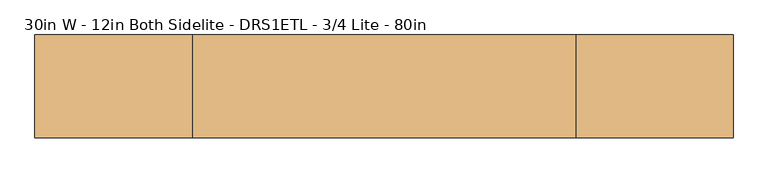
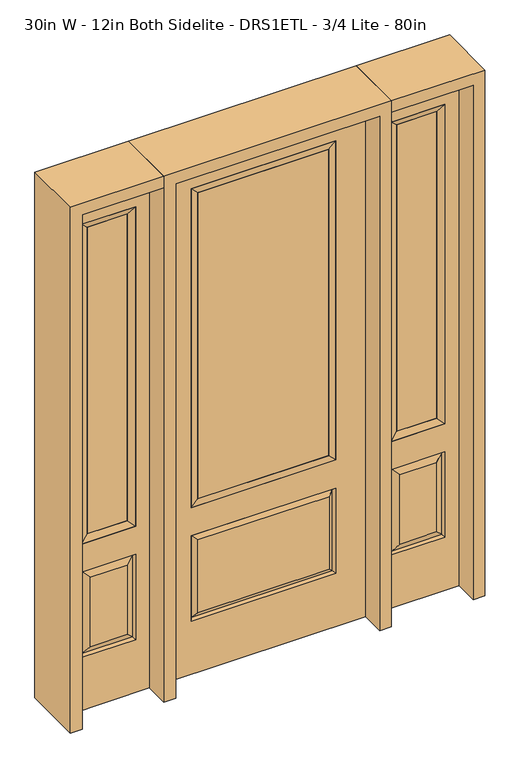
"""IFC4 building model written with IfcOpenShell, lengths in millimetres: door geometry, 30in W - 12in Both Sidelite - DRS1ETL - 3/4 Lite - 80in."""

import ifcopenshell
import ifcopenshell.guid

model = None  # the IFC model being written
_history = None  # IfcOwnerHistory: only IFC2X3 demands one
_inside = {}  # id of a spatial element -> (the spatial element, [elements in it])
_under = {}  # id of a project, library or spatial element -> (it, [spatial elements below it])
_declared = {}  # id of a project -> (the project, [libraries it declares])
_typed = {}  # id of a type object -> (the type object, [elements of that type])
_made_of = {}  # id of a material, layer set ... -> (it, [elements and type objects made of it])


def new_model(schema):
    """Start an empty IFC model of exactly this schema.

    Asked for "IFC4X3", IfcOpenShell would pick the latest addendum, in which some entities
    have other attributes; the version numbers below select the first issue.
    IFC2X3 requires an IfcOwnerHistory on every rooted entity: one is made here for all.
    """
    global model, _history
    if schema == "IFC4X3":
        model = ifcopenshell.file(schema_version=(4, 3, 0, 0))
    else:
        model = ifcopenshell.file(schema=schema)
    _inside.clear()
    _under.clear()
    _declared.clear()
    _typed.clear()
    _made_of.clear()
    _history = None
    if model.schema == "IFC2X3":
        org = make("IfcOrganization", Name="unknown")
        user = make(
            "IfcPersonAndOrganization",
            ThePerson=make("IfcPerson", FamilyName="unknown"),
            TheOrganization=org,
        )
        app = make(
            "IfcApplication",
            ApplicationDeveloper=org,
            Version="unknown",
            ApplicationFullName="unknown",
            ApplicationIdentifier="unknown",
        )
        _history = make(
            "IfcOwnerHistory",
            OwningUser=user,
            OwningApplication=app,
            ChangeAction="ADDED",
            CreationDate=0,
        )
    return model


def make(cls, **values):
    """One entity of the class cls with the attributes given. An attribute that is None is left unset."""
    return model.create_entity(
        cls, **{name: value for name, value in values.items() if value is not None}
    )


def rooted(cls, **values):
    """An entity with a GlobalId (a new one), such as an element, a storey or a relation."""
    return make(cls, GlobalId=ifcopenshell.guid.new(), OwnerHistory=_history, **values)


def si_unit(unit_type, name, prefix=None):
    """IfcSIUnit, for example si_unit("LENGTHUNIT", "METRE", prefix="MILLI")."""
    return make("IfcSIUnit", UnitType=unit_type, Prefix=prefix, Name=name)


def assignment(units):
    """IfcUnitAssignment: the units of a project."""
    return None if units is None else make("IfcUnitAssignment", Units=units)


def point(xyz):
    """IfcCartesianPoint."""
    return None if xyz is None else make("IfcCartesianPoint", Coordinates=xyz)


def direction(xyz):
    """IfcDirection."""
    return None if xyz is None else make("IfcDirection", DirectionRatios=xyz)


def frame(location, z_axis=None, x_axis=None):
    """IfcAxis2Placement3D, a coordinate frame: its origin and axes. An axis left out is left unset."""
    return make(
        "IfcAxis2Placement3D",
        Location=point(location),
        Axis=direction(z_axis),
        RefDirection=direction(x_axis),
    )


def origin():
    """The frame at (0, 0, 0) with its axes left unset."""
    return frame((0.0, 0.0, 0.0))


def place(relative_to, where):
    """IfcLocalPlacement: puts the frame where relative to a parent placement (None: the world)."""
    return make(
        "IfcLocalPlacement", PlacementRelTo=relative_to, RelativePlacement=where
    )


def context(
    kind, dimensions, precision=None, world=None, true_north=None, identifier=None
):
    """IfcGeometricRepresentationContext, for example the 3D "Model" context."""
    return make(
        "IfcGeometricRepresentationContext",
        ContextIdentifier=identifier,
        ContextType=kind,
        CoordinateSpaceDimension=dimensions,
        Precision=precision,
        WorldCoordinateSystem=world,
        TrueNorth=true_north,
    )


def project(units=None, contexts=None):
    """IfcProject with its units and contexts."""
    return rooted(
        "IfcProject",
        Name="project",
        RepresentationContexts=contexts,
        UnitsInContext=assignment(units),
    )


def spatial(cls, under=None, at=None, **own):
    """A site, building, storey or space (cls), placed at a placement, below another one or the project."""
    s = rooted(cls, ObjectPlacement=at, **own)
    if under is not None:
        _under.setdefault(under.id(), (under, []))[1].append(s)
    return s


def polyline(points):
    """IfcPolyline through the points."""
    return make("IfcPolyline", Points=[point(p) for p in points])


def outline(outer, holes=None, kind="AREA"):
    """IfcArbitraryClosedProfileDef: a profile drawn as a closed curve; with holes, ...WithVoids."""
    if holes is None:
        return make("IfcArbitraryClosedProfileDef", ProfileType=kind, OuterCurve=outer)
    return make(
        "IfcArbitraryProfileDefWithVoids",
        ProfileType=kind,
        OuterCurve=outer,
        InnerCurves=holes,
    )


def extrude(swept, where, along, depth):
    """IfcExtrudedAreaSolid: the profile swept, set in the frame where, extruded along a direction by depth."""
    return make(
        "IfcExtrudedAreaSolid",
        SweptArea=swept,
        Position=where,
        ExtrudedDirection=direction(along),
        Depth=depth,
    )


def faces_of(points, faces, orient=None, outer=None):
    """IfcFace entities. A face is a list of loops; a loop is a list of indices into points, from 0.

    orient and outer hold one flag for each loop. By default every Orientation is true, the
    first loop of a face is its IfcFaceOuterBound and the others are IfcFaceBound.
    """
    made = []
    for i, loops in enumerate(faces):
        bounds = []
        for j, loop in enumerate(loops):
            is_outer = j == 0 if outer is None else outer[i][j]
            bounds.append(
                make(
                    "IfcFaceOuterBound" if is_outer else "IfcFaceBound",
                    Bound=make("IfcPolyLoop", Polygon=[points[k] for k in loop]),
                    Orientation=True if orient is None else orient[i][j],
                )
            )
        made.append(make("IfcFace", Bounds=bounds))
    return made


def faceted_brep(points, faces, orient=None, outer=None, voids=None):
    """IfcFacetedBrep: a solid bounded by flat faces; with voids (closed shells), ...WithVoids."""
    shared = [point(p) for p in points]
    hull = make("IfcClosedShell", CfsFaces=faces_of(shared, faces, orient, outer))
    if voids is None:
        return make("IfcFacetedBrep", Outer=hull)
    return make(
        "IfcFacetedBrepWithVoids",
        Outer=hull,
        Voids=[
            make(cls, CfsFaces=faces_of(shared, fs, o, b)) for cls, fs, o, b in voids
        ],
    )


def shape(context_of_items, identifier, shape_type, items):
    """IfcShapeRepresentation: the items that make up one representation, for example the "Body"."""
    return make(
        "IfcShapeRepresentation",
        ContextOfItems=context_of_items,
        RepresentationIdentifier=identifier,
        RepresentationType=shape_type,
        Items=items,
    )


def source(mapping_origin, context_of_items, identifier, shape_type, items):
    """IfcRepresentationMap: a shape defined once, which mapped items show again and again."""
    return make(
        "IfcRepresentationMap",
        MappingOrigin=mapping_origin,
        MappedRepresentation=shape(context_of_items, identifier, shape_type, items),
    )


def transform(
    local_origin,
    x_axis=None,
    y_axis=None,
    z_axis=None,
    scale=None,
    scale2=None,
    scale3=None,
    uniform=True,
):
    """IfcCartesianTransformationOperator3D, or its non-uniform kind. x_axis, y_axis, z_axis: its Axis1, 2, 3."""
    if uniform:
        return make(
            "IfcCartesianTransformationOperator3D",
            Axis1=direction(x_axis),
            Axis2=direction(y_axis),
            LocalOrigin=point(local_origin),
            Scale=scale,
            Axis3=direction(z_axis),
        )
    return make(
        "IfcCartesianTransformationOperator3DnonUniform",
        Axis1=direction(x_axis),
        Axis2=direction(y_axis),
        LocalOrigin=point(local_origin),
        Scale=scale,
        Axis3=direction(z_axis),
        Scale2=scale2,
        Scale3=scale3,
    )


def mapped(mapping_source, mapping_target):
    """IfcMappedItem: shows the shape of a source again, moved by a transform."""
    return make(
        "IfcMappedItem", MappingSource=mapping_source, MappingTarget=mapping_target
    )


def made_of(thing, what):
    """Note that an element or type object is made of a material, layer set ...; save() writes the relation."""
    if what is not None:
        _made_of.setdefault(what.id(), (what, []))[1].append(thing)
    return thing


def element(
    cls,
    number,
    at=None,
    inside=None,
    cuts=None,
    type_object=None,
    material=None,
    context=None,
    identifier="Body",
    shape_type=None,
    held_by="IfcProductDefinitionShape",
    body=None,
    shapes=None,
    **own,
):
    """One element of the class cls, such as IfcWall. Its Tag is "e" and its number.

    at: its placement. inside: the storey or other place that contains it. cuts: it is an
    opening in that element (IfcRelVoidsElement). A single representation is given by context,
    identifier, shape_type and body (its items); several are given by shapes. held_by: the class
    of the entity that holds the representations. save() writes the other relations.
    """
    e = rooted(cls, Tag="e%d" % number, ObjectPlacement=at, **own)
    if body is not None:
        shapes = [shape(context, identifier, shape_type, body)]
    if shapes is not None:
        e.Representation = make(held_by, Representations=shapes)
    if inside is not None:
        _inside.setdefault(inside.id(), (inside, []))[1].append(e)
    if cuts is not None:
        rooted(
            "IfcRelVoidsElement", RelatingBuildingElement=cuts, RelatedOpeningElement=e
        )
    if type_object is not None:
        _typed.setdefault(type_object.id(), (type_object, []))[1].append(e)
    return made_of(e, material)


def aggregate(whole, parts):
    """IfcRelAggregates: a whole, such as a stair, and the parts it consists of."""
    return rooted("IfcRelAggregates", RelatingObject=whole, RelatedObjects=parts)


def save(model, path):
    """Write the relations noted so far, then the file.

    IfcRelAggregates (storeys below a building ...), IfcRelContainedInSpatialStructure (elements
    in a storey), IfcRelDefinesByType, IfcRelAssociatesMaterial and IfcRelDeclares: one each for
    every whole, place, type object, material and project.
    """
    for whole, parts in _under.values():
        aggregate(whole, parts)
    for where, things in _inside.values():
        rooted(
            "IfcRelContainedInSpatialStructure",
            RelatedElements=things,
            RelatingStructure=where,
        )
    for kind, things in _typed.values():
        rooted("IfcRelDefinesByType", RelatedObjects=things, RelatingType=kind)
    for what, things in _made_of.values():
        rooted("IfcRelAssociatesMaterial", RelatedObjects=things, RelatingMaterial=what)
    for by, libraries in _declared.values():
        rooted("IfcRelDeclares", RelatingContext=by, RelatedDefinitions=libraries)
    model.write(path)


def door_30in_w_12in_both_sidelite_drs1etl_3_4_lite_80in_c930fb0f(model_context):
    return source(origin(), model_context, "Body", "SolidModel", [
        faceted_brep([(425.45, -22.225, 0.0), (730.25, -22.225, 0.0), (730.25, -22.225, 2032.0), (425.45, -22.225, 2032.0), (678.18, -22.225, 1919.224), (678.18, -22.225, 657.098), (477.52, -22.225, 657.098), (477.52, -22.225, 1919.224), (678.18, -22.225, 209.55), (477.52, -22.225, 209.55), (477.52, -22.225, 546.1), (678.18, -22.225, 546.1), (509.2351001, -22.225, 241.2651001), (646.4648999, -22.225, 241.2651001), (646.4648999, -22.225, 514.3848999), (509.2351001, -22.225, 514.3848999), (425.45, 22.225, 0.0), (425.45, 22.225, 2032.0), (730.25, 22.225, 2032.0), (730.25, 22.225, 0.0), (678.18, 22.225, 1919.224), (477.52, 22.225, 1919.224), (477.52, 22.225, 657.098), (678.18, 22.225, 657.098), (477.52, 22.225, 209.55), (678.18, 22.225, 209.55), (678.18, 22.225, 546.1), (477.52, 22.225, 546.1), (646.4648999, 22.225, 241.2651001), (509.2351001, 22.225, 241.2651001), (509.2351001, 22.225, 514.3848999), (646.4648999, 22.225, 514.3848999), (671.0711499, 12.7912373, 216.6588501), (484.6288501, 12.7912373, 216.6588501), (484.6288501, 12.7912373, 538.9911499), (671.0711499, 12.7912373, 538.9911499), (484.6288501, -12.7912373, 216.6588501), (671.0711499, -12.7912373, 216.6588501), (484.6288501, -12.7912373, 538.9911499), (671.0711499, -12.7912373, 538.9911499)], [[[0, 1, 2, 3], [4, 5, 6, 7], [8, 9, 10, 11]], [[12, 13, 14, 15]], [[16, 17, 18, 19], [20, 21, 22, 23], [24, 25, 26, 27]], [[28, 29, 30, 31]], [[1, 0, 16, 19]], [[2, 1, 19, 18]], [[3, 2, 18, 17]], [[0, 3, 17, 16]], [[5, 4, 20, 23]], [[6, 5, 23, 22]], [[7, 6, 22, 21]], [[4, 7, 21, 20]], [[32, 33, 29, 28]], [[33, 32, 25, 24]], [[29, 33, 34, 30]], [[33, 24, 27, 34]], [[30, 34, 35, 31]], [[34, 27, 26, 35]], [[32, 28, 31, 35]], [[25, 32, 35, 26]], [[12, 36, 37, 13]], [[37, 36, 9, 8]], [[36, 12, 15, 38]], [[9, 36, 38, 10]], [[38, 15, 14, 39]], [[10, 38, 39, 11]], [[13, 37, 39, 14]], [[37, 8, 11, 39]]]),
        faceted_brep([(477.52, 22.225, 1919.224), (477.52, -22.225, 1919.224), (678.18, -22.225, 1919.224), (678.18, 22.225, 1919.224), (502.92, 12.7, 1893.824), (652.78, 12.7, 1893.824), (502.92, -12.7, 1893.824), (652.78, -12.7, 1893.824), (678.18, -22.225, 657.098), (678.18, 22.225, 657.098), (652.78, 12.7, 682.498), (652.78, -12.7, 682.498), (477.52, -22.225, 657.098), (477.52, 22.225, 657.098), (502.92, 12.7, 682.498), (502.92, -12.7, 682.498)], [[[0, 1, 2, 3]], [[4, 0, 3, 5]], [[6, 4, 5, 7]], [[1, 6, 7, 2]], [[3, 2, 8, 9]], [[5, 3, 9, 10]], [[7, 5, 10, 11]], [[2, 7, 11, 8]], [[9, 8, 12, 13]], [[10, 9, 13, 14]], [[11, 10, 14, 15]], [[8, 11, 15, 12]], [[13, 12, 1, 0]], [[14, 13, 0, 4]], [[15, 14, 4, 6]], [[12, 15, 6, 1]]]),
        extrude(outline(polyline([(652.78, -12.7), (502.92, -12.7), (502.92, 12.7), (652.78, 12.7), (652.78, -12.7)])), frame((0.0, 0.0, 682.498), z_axis=(0.0, 0.0, 1.0), x_axis=(1.0, 0.0, 0.0)), (0.0, 0.0, 1.0), 1211.326),
        faceted_brep([(-730.25, -22.225, 0.0), (-425.45, -22.225, 0.0), (-425.45, -22.225, 2032.0), (-730.25, -22.225, 2032.0), (-477.52, -22.225, 1919.224), (-477.52, -22.225, 657.098), (-678.18, -22.225, 657.098), (-678.18, -22.225, 1919.224), (-477.52, -22.225, 209.55), (-678.18, -22.225, 209.55), (-678.18, -22.225, 546.1), (-477.52, -22.225, 546.1), (-646.4648999, -22.225, 241.2651001), (-509.2351001, -22.225, 241.2651001), (-509.2351001, -22.225, 514.3848999), (-646.4648999, -22.225, 514.3848999), (-730.25, 22.225, 0.0), (-730.25, 22.225, 2032.0), (-425.45, 22.225, 2032.0), (-425.45, 22.225, 0.0), (-477.52, 22.225, 1919.224), (-678.18, 22.225, 1919.224), (-678.18, 22.225, 657.098), (-477.52, 22.225, 657.098), (-678.18, 22.225, 209.55), (-477.52, 22.225, 209.55), (-477.52, 22.225, 546.1), (-678.18, 22.225, 546.1), (-509.2351001, 22.225, 241.2651001), (-646.4648999, 22.225, 241.2651001), (-646.4648999, 22.225, 514.3848999), (-509.2351001, 22.225, 514.3848999), (-484.6288501, 12.7912373, 216.6588501), (-671.0711499, 12.7912373, 216.6588501), (-671.0711499, 12.7912373, 538.9911499), (-484.6288501, 12.7912373, 538.9911499), (-671.0711499, -12.7912373, 216.6588501), (-484.6288501, -12.7912373, 216.6588501), (-671.0711499, -12.7912373, 538.9911499), (-484.6288501, -12.7912373, 538.9911499)], [[[0, 1, 2, 3], [4, 5, 6, 7], [8, 9, 10, 11]], [[12, 13, 14, 15]], [[16, 17, 18, 19], [20, 21, 22, 23], [24, 25, 26, 27]], [[28, 29, 30, 31]], [[1, 0, 16, 19]], [[2, 1, 19, 18]], [[3, 2, 18, 17]], [[0, 3, 17, 16]], [[5, 4, 20, 23]], [[6, 5, 23, 22]], [[7, 6, 22, 21]], [[4, 7, 21, 20]], [[32, 33, 29, 28]], [[33, 32, 25, 24]], [[29, 33, 34, 30]], [[33, 24, 27, 34]], [[30, 34, 35, 31]], [[34, 27, 26, 35]], [[32, 28, 31, 35]], [[25, 32, 35, 26]], [[12, 36, 37, 13]], [[37, 36, 9, 8]], [[36, 12, 15, 38]], [[9, 36, 38, 10]], [[38, 15, 14, 39]], [[10, 38, 39, 11]], [[13, 37, 39, 14]], [[37, 8, 11, 39]]]),
        faceted_brep([(-678.18, 22.225, 1919.224), (-678.18, -22.225, 1919.224), (-477.52, -22.225, 1919.224), (-477.52, 22.225, 1919.224), (-652.78, 12.7, 1893.824), (-502.92, 12.7, 1893.824), (-652.78, -12.7, 1893.824), (-502.92, -12.7, 1893.824), (-477.52, -22.225, 657.098), (-477.52, 22.225, 657.098), (-502.92, 12.7, 682.498), (-502.92, -12.7, 682.498), (-678.18, -22.225, 657.098), (-678.18, 22.225, 657.098), (-652.78, 12.7, 682.498), (-652.78, -12.7, 682.498)], [[[0, 1, 2, 3]], [[4, 0, 3, 5]], [[6, 4, 5, 7]], [[1, 6, 7, 2]], [[3, 2, 8, 9]], [[5, 3, 9, 10]], [[7, 5, 10, 11]], [[2, 7, 11, 8]], [[9, 8, 12, 13]], [[10, 9, 13, 14]], [[11, 10, 14, 15]], [[8, 11, 15, 12]], [[13, 12, 1, 0]], [[14, 13, 0, 4]], [[15, 14, 4, 6]], [[12, 15, 6, 1]]]),
        extrude(outline(polyline([(-502.92, -12.7), (-652.78, -12.7), (-652.78, 12.7), (-502.92, 12.7), (-502.92, -12.7)])), frame((0.0, 0.0, 682.498), z_axis=(0.0, 0.0, 1.0), x_axis=(1.0, 0.0, 0.0)), (0.0, 0.0, 1.0), 1211.326),
        faceted_brep([(-262.7661499, -12.7912373, 216.6588501), (262.7661499, -12.7912373, 216.6588501), (245.26875, -22.225, 234.15625), (-245.26875, -22.225, 234.15625), (-269.875, -22.225, 209.55), (269.875, -22.225, 209.55), (-262.7661499, -12.7912373, 538.9911499), (-269.875, -22.225, 546.1), (245.26875, -22.225, 521.49375), (-245.26875, -22.225, 521.49375), (381.0, -22.225, 2032.0), (-381.0, -22.225, 2032.0), (-381.0, -22.225, 0.0), (381.0, -22.225, 0.0), (269.875, -22.225, 546.1), (269.875, -22.225, 1917.7), (269.875, -22.225, 657.098), (-269.875, -22.225, 657.098), (-269.875, -22.225, 1917.7), (262.7661499, -12.7912373, 538.9911499), (-381.0, 22.225, 2032.0), (-381.0, 22.225, 0.0), (381.0, 22.225, 0.0), (381.0, 22.225, 2032.0), (269.875, 22.225, 1917.7), (269.875, 22.225, 657.098), (-269.875, 22.225, 657.098), (-269.875, 22.225, 1917.7), (-269.875, 22.225, 209.55), (269.875, 22.225, 209.55), (269.875, 22.225, 546.1), (-269.875, 22.225, 546.1), (245.26875, 22.225, 234.15625), (-245.26875, 22.225, 234.15625), (-245.26875, 22.225, 521.49375), (245.26875, 22.225, 521.49375), (-262.7661499, 12.7912373, 216.6588501), (262.7661499, 12.7912373, 216.6588501), (262.7661499, 12.7912373, 538.9911499), (-262.7661499, 12.7912373, 538.9911499)], [[[0, 1, 2, 3]], [[1, 0, 4, 5]], [[4, 0, 6, 7]], [[3, 2, 8, 9]], [[10, 11, 12, 13], [5, 4, 7, 14], [15, 16, 17, 18]], [[1, 5, 14, 19]], [[2, 1, 19, 8]], [[0, 3, 9, 6]], [[7, 6, 19, 14]], [[6, 9, 8, 19]], [[12, 11, 20, 21]], [[13, 12, 21, 22]], [[10, 13, 22, 23]], [[16, 15, 24, 25]], [[17, 16, 25, 26]], [[18, 17, 26, 27]], [[23, 22, 21, 20], [28, 29, 30, 31], [24, 27, 26, 25]], [[32, 33, 34, 35]], [[28, 36, 37, 29]], [[29, 37, 38, 30]], [[39, 31, 30, 38]], [[36, 28, 31, 39]], [[37, 36, 33, 32]], [[33, 36, 39, 34]], [[34, 39, 38, 35]], [[37, 32, 35, 38]], [[11, 10, 23, 20]], [[15, 18, 27, 24]]]),
        faceted_brep([(-269.875, -22.225, 1917.7), (-269.875, 22.225, 1917.7), (-269.875, 22.225, 657.098), (-269.875, -22.225, 657.098), (269.875, 22.225, 657.098), (269.875, -22.225, 657.098), (-244.475, 5.08, 682.498), (244.475, 5.08, 682.498), (269.875, 22.225, 1917.7), (269.875, -22.225, 1917.7), (-244.475, -20.32, 682.498), (244.475, -20.32, 682.498), (-244.475, -20.32, 1892.3), (244.475, -20.32, 1892.3), (-244.475, 5.08, 1892.3), (244.475, 5.08, 1892.3)], [[[0, 1, 2, 3]], [[3, 2, 4, 5]], [[2, 6, 7, 4]], [[5, 4, 8, 9]], [[10, 3, 5, 11]], [[12, 0, 3, 10]], [[11, 5, 9, 13]], [[6, 10, 11, 7]], [[14, 12, 10, 6]], [[7, 11, 13, 15]], [[1, 14, 6, 2]], [[4, 7, 15, 8]], [[9, 8, 1, 0]], [[13, 9, 0, 12]], [[15, 13, 12, 14]], [[8, 15, 14, 1]]]),
        extrude(outline(polyline([(244.475, -20.32), (-244.475, -20.32), (-244.475, 5.08), (244.475, 5.08), (244.475, -20.32)])), frame((0.0, 0.0, 682.498), z_axis=(0.0, 0.0, 1.0), x_axis=(1.0, 0.0, 0.0)), (0.0, 0.0, 1.0), 1209.802),
        extrude(outline(polyline([(2032.0, -425.45), (2076.45, -425.45), (2076.45, -774.7), (0.0, -774.7), (0.0, -730.25), (2032.0, -730.25), (2032.0, -425.45)])), frame((0.0, -114.3, 0.0), z_axis=(0.0, 1.0, 0.0), x_axis=(0.0, 0.0, 1.0)), (0.0, 0.0, 1.0), 228.6),
        extrude(outline(polyline([(2076.45, -425.45), (0.0, -425.45), (0.0, -381.0), (2032.0, -381.0), (2032.0, 381.0), (0.0, 381.0), (0.0, 425.45), (2076.45, 425.45), (2076.45, -425.45)])), frame((0.0, -114.3, 0.0), z_axis=(0.0, 1.0, 0.0), x_axis=(0.0, 0.0, 1.0)), (0.0, 0.0, 1.0), 228.6),
        extrude(outline(polyline([(0.0, 730.25), (0.0, 774.7), (2076.45, 774.7), (2076.45, 425.45), (2032.0, 425.45), (2032.0, 730.25), (0.0, 730.25)])), frame((0.0, -114.3, 0.0), z_axis=(0.0, 1.0, 0.0), x_axis=(0.0, 0.0, 1.0)), (0.0, 0.0, 1.0), 228.6),
    ])


if __name__ == "__main__":
    model = new_model("IFC4")
    model_context = context("Model", 3, world=origin())
    ifc_project = project(units=[si_unit("LENGTHUNIT", "METRE", prefix="MILLI")], contexts=[model_context])
    site = spatial("IfcSite", under=ifc_project)
    building = spatial("IfcBuilding", under=site)
    placement = place(None, origin())
    door_30in_w_12in_both_sidelite_drs1etl_3_4_lite_80in_shape = door_30in_w_12in_both_sidelite_drs1etl_3_4_lite_80in_c930fb0f(model_context)
    element("IfcDoor", 1, ObjectType="30in W - 12in Both Sidelite - DRS1ETL - 3/4 Lite - 80in", at=placement, inside=building, context=model_context, shape_type="MappedRepresentation", body=[
        mapped(door_30in_w_12in_both_sidelite_drs1etl_3_4_lite_80in_shape, transform((0.0, 0.0, 0.0), x_axis=(1.0, 0.0, 0.0), y_axis=(0.0, 1.0, 0.0), z_axis=(0.0, 0.0, 1.0))),
    ])
    save(model, "model.ifc")
